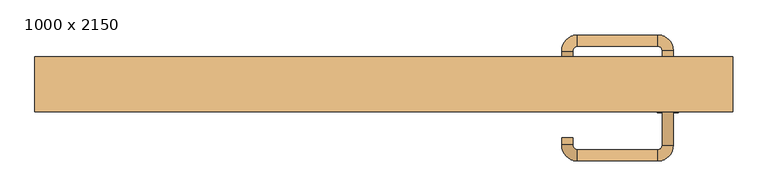
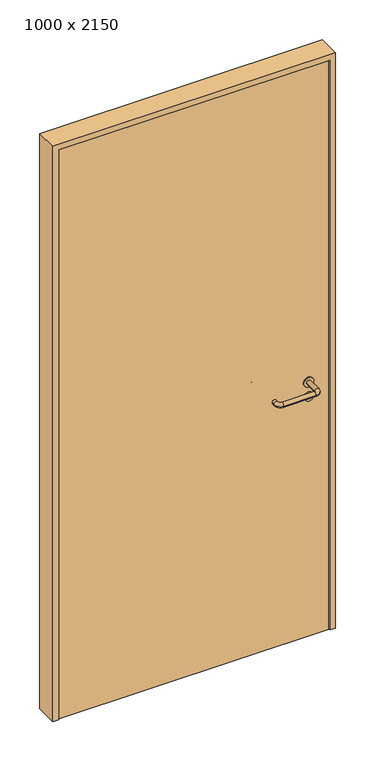
"""IFC4 building model written with IfcOpenShell, lengths in millimetres: door geometry, 1000 x 2150."""

from ifc_helpers import new_model, si_unit, point, frame, frame_2d, origin, origin_with_axes, place, context, project, spatial, polyline, circle_curve, ellipse_curve, trimmed, segment, composite_curve, outline, extrude, source, transform, mapped, element, save
from ifc_brep_helpers import plane_surface, cylinder_surface, revolved_surface, advanced_brep


def door_1000_x_2150_370ea0b7(model_context):
    return source(origin(), model_context, "Body", "SolidModel", [
        extrude(outline(composite_curve([segment(trimmed(circle_curve(frame_2d((897.3605726, 407.0)), 15.0), [point((897.3605726, 422.0))], [point((897.3605726, 392.0))], False, "CARTESIAN"), True, "CONTINUOUS"), segment(trimmed(circle_curve(frame_2d((897.3605726, 407.0)), 15.0), [point((897.3605726, 392.0))], [point((897.3605726, 422.0))], False, "CARTESIAN"), True, "CONTINUOUS")], self_intersect=False), holes=[composite_curve([segment(trimmed(circle_curve(frame_2d((892.5833211, 406.9398032)), 2.0), [point((892.5833211, 408.9398032))], [point((892.5833211, 404.9398032))], True, "CARTESIAN"), True, "CONTINUOUS"), segment(polyline([(892.5833211, 404.9398032), (902.5833211, 404.9398032)]), True, "CONTINUOUS"), segment(trimmed(circle_curve(frame_2d((902.5833211, 406.9398032)), 2.0), [point((902.5833211, 404.9398032))], [point((902.5833211, 408.9398032))], True, "CARTESIAN"), True, "CONTINUOUS"), segment(polyline([(902.5833211, 408.9398032), (892.5833211, 408.9398032)]), True, "CONTINUOUS")], self_intersect=False)]), frame((0.0, -5.0, 0.0), z_axis=(0.0, 1.0, 0.0), x_axis=(0.0, 0.0, 1.0)), (0.0, 0.0, 1.0), 6.35),
        extrude(outline(composite_curve([segment(trimmed(circle_curve(frame_2d((950.0, 407.0)), 17.526), [point((950.0, 424.526))], [point((950.0, 389.474))], False, "CARTESIAN"), True, "CONTINUOUS"), segment(trimmed(circle_curve(frame_2d((950.0, 407.0)), 17.526), [point((950.0, 389.474))], [point((950.0, 424.526))], False, "CARTESIAN"), True, "CONTINUOUS")], self_intersect=False)), frame((0.0, -5.0, 0.0), z_axis=(0.0, 1.0, 0.0), x_axis=(0.0, 0.0, 1.0)), (0.0, 0.0, 1.0), 3.175),
        advanced_brep(
        [(415.0, -5.0, 950.0), (399.0, -5.0, 950.0), (415.0, 48.0, 950.0), (399.0, 48.0, 950.0), (392.8578644, 54.1421356, 950.0), (392.8578644, 70.1421356, 950.0), (277.8578644, 70.1421356, 950.0), (277.8578644, 54.1421356, 950.0), (271.008622, 47.2928932, 950.0), (255.008622, 47.2928932, 950.0), (255.008622, 37.2928932, 950.0), (271.008622, 37.2928932, 950.0)],
        [
            (0, 1, circle_curve(frame((407.0, -5.0, 950.0), z_axis=(0.0, -1.0, 0.0), x_axis=(-1.0, 0.0, 0.0)), 8.0)),
            (1, 0, circle_curve(frame((407.0, -5.0, 950.0), z_axis=(0.0, -1.0, 0.0), x_axis=(-1.0, 0.0, 0.0)), 8.0)),
            (0, 2),
            (2, 3, circle_curve(frame((407.0, 48.0, 950.0), z_axis=(0.0, -1.0, 0.0), x_axis=(-1.0, 0.0, 0.0)), 8.0)),
            (3, 1),
            (3, 2, circle_curve(frame((407.0, 48.0, 950.0), z_axis=(0.0, -1.0, 0.0), x_axis=(-1.0, 0.0, 0.0)), 8.0)),
            (4, 3, circle_curve(frame((392.8578644, 48.0, 950.0), z_axis=(0.0, 0.0, -1.0), x_axis=(1.0, 0.0, 0.0)), 6.1421356)),
            (2, 5, circle_curve(frame((392.8578644, 48.0, 950.0), z_axis=(0.0, 0.0, 1.0), x_axis=(1.0, 0.0, 0.0)), 22.1421356)),
            (5, 4, circle_curve(frame((392.8578644, 62.1421356, 950.0), z_axis=(1.0, 0.0, 0.0), x_axis=(0.0, -1.0, 0.0)), 8.0)),
            (4, 5, circle_curve(frame((392.8578644, 62.1421356, 950.0), z_axis=(1.0, 0.0, 0.0), x_axis=(0.0, -1.0, 0.0)), 8.0)),
            (5, 6),
            (6, 7, circle_curve(frame((277.8578644, 62.1421356, 950.0), z_axis=(1.0, 0.0, 0.0), x_axis=(0.0, -1.0, 0.0)), 8.0)),
            (7, 4),
            (7, 6, circle_curve(frame((277.8578644, 62.1421356, 950.0), z_axis=(1.0, 0.0, 0.0), x_axis=(0.0, -1.0, 0.0)), 8.0)),
            (8, 7, circle_curve(frame((277.8578644, 47.2928932, 950.0), z_axis=(0.0, 0.0, -1.0), x_axis=(0.0, 1.0, 0.0)), 6.8492424)),
            (6, 9, circle_curve(frame((277.8578644, 47.2928932, 950.0), z_axis=(0.0, 0.0, 1.0), x_axis=(0.0, 1.0, 0.0)), 22.8492424)),
            (9, 8, circle_curve(frame((263.008622, 47.2928932, 950.0), z_axis=(0.0, 1.0, 0.0), x_axis=(1.0, 0.0, 0.0)), 8.0)),
            (8, 9, circle_curve(frame((263.008622, 47.2928932, 950.0), z_axis=(0.0, 1.0, 0.0), x_axis=(1.0, 0.0, 0.0)), 8.0)),
            (10, 11, circle_curve(frame((263.008622, 37.2928932, 950.0), z_axis=(0.0, -1.0, 0.0), x_axis=(1.0, 0.0, 0.0)), 8.0)),
            (11, 10, circle_curve(frame((263.008622, 37.2928932, 950.0), z_axis=(0.0, -1.0, 0.0), x_axis=(1.0, 0.0, 0.0)), 8.0)),
            (9, 10),
            (11, 8),
        ],
        [
            plane_surface(frame((407.0, -5.0, 0.0), z_axis=(0.0, -1.0, 0.0), x_axis=(0.0, 0.0, 1.0))),
            cylinder_surface(frame((407.0, -5.0, 950.0), z_axis=(0.0, -1.0, 0.0), x_axis=(-1.0, 0.0, 0.0)), 8.0),
            revolved_surface(trimmed(ellipse_curve(frame((407.0, 48.0, 950.0), z_axis=(0.0, -1.0, 0.0), x_axis=(-1.0, 0.0, 0.0)), 8.0, 8.0), [point((415.0, 48.0, 950.0))], [point((399.0, 48.0, 950.0))], True, "CARTESIAN"), (392.8578644, 48.0, 0.0), (0.0, 0.0, 1.0)),
            revolved_surface(trimmed(ellipse_curve(frame((407.0, 48.0, 950.0), z_axis=(0.0, -1.0, 0.0), x_axis=(-1.0, 0.0, 0.0)), 8.0, 8.0), [point((399.0, 48.0, 950.0))], [point((415.0, 48.0, 950.0))], True, "CARTESIAN"), (392.8578644, 48.0, 0.0), (0.0, 0.0, 1.0)),
            cylinder_surface(frame((392.8578644, 62.1421356, 950.0), z_axis=(1.0, 0.0, 0.0), x_axis=(0.0, -1.0, 0.0)), 8.0),
            revolved_surface(trimmed(ellipse_curve(frame((277.8578644, 62.1421356, 950.0), z_axis=(1.0, 0.0, 0.0), x_axis=(0.0, -1.0, 0.0)), 8.0, 8.0), [point((277.8578644, 70.1421356, 950.0))], [point((277.8578644, 54.1421356, 950.0))], True, "CARTESIAN"), (277.8578644, 47.2928932, 0.0), (0.0, 0.0, 1.0)),
            revolved_surface(trimmed(ellipse_curve(frame((277.8578644, 62.1421356, 950.0), z_axis=(1.0, 0.0, 0.0), x_axis=(0.0, -1.0, 0.0)), 8.0, 8.0), [point((277.8578644, 54.1421356, 950.0))], [point((277.8578644, 70.1421356, 950.0))], True, "CARTESIAN"), (277.8578644, 47.2928932, 0.0), (0.0, 0.0, 1.0)),
            plane_surface(frame((263.008622, 37.2928932, 0.0), z_axis=(0.0, -1.0, 0.0), x_axis=(0.0, 0.0, 1.0))),
            cylinder_surface(frame((263.008622, 47.2928932, 950.0), z_axis=(0.0, 1.0, 0.0), x_axis=(1.0, 0.0, 0.0)), 8.0),
        ],
        [
            (0, [[1, 2]]),
            (1, [[-1, 3, 4, 5]]),
            (1, [[-2, -5, 6, -3]]),
            (2, [[7, -4, 8, 9]]),
            (3, [[-8, -6, -7, 10]]),
            (4, [[-9, 11, 12, 13]]),
            (4, [[-10, -13, 14, -11]]),
            (5, [[15, -12, 16, 17]]),
            (6, [[-16, -14, -15, 18]]),
            (7, [[19, 20]]),
            (8, [[-17, 21, -20, 22]]),
            (8, [[-18, -22, -19, -21]]),
        ],
    ),
        extrude(outline(composite_curve([segment(trimmed(circle_curve(frame_2d((0.0, 15.0)), 15.0), [point((0.0, 30.0))], [point((0.0, 0.0))], False, "CARTESIAN"), True, "CONTINUOUS"), segment(trimmed(circle_curve(frame_2d((0.0, 15.0)), 15.0), [point((0.0, 0.0))], [point((0.0, 30.0))], False, "CARTESIAN"), True, "CONTINUOUS")], self_intersect=False), holes=[composite_curve([segment(trimmed(circle_curve(frame_2d((-4.7772515, 14.9398032)), 2.0), [point((-4.7772515, 16.9398032))], [point((-4.7772515, 12.9398032))], True, "CARTESIAN"), True, "CONTINUOUS"), segment(polyline([(-4.7772515, 12.9398032), (5.2227485, 12.9398032)]), True, "CONTINUOUS"), segment(trimmed(circle_curve(frame_2d((5.2227485, 14.9398032)), 2.0), [point((5.2227485, 12.9398032))], [point((5.2227485, 16.9398032))], True, "CARTESIAN"), True, "CONTINUOUS"), segment(polyline([(5.2227485, 16.9398032), (-4.7772515, 16.9398032)]), True, "CONTINUOUS")], self_intersect=False)]), frame((392.0, -41.35, 897.3605726), z_axis=(-1.8870575173328306e-12, 1.0, 0.0), x_axis=(0.0, 0.0, 1.0)), (0.0, 0.0, 1.0), 6.35),
        extrude(outline(composite_curve([segment(trimmed(circle_curve(frame_2d((0.0, 17.526)), 17.526), [point((0.0, 35.052))], [point((0.0, 0.0))], False, "CARTESIAN"), True, "CONTINUOUS"), segment(trimmed(circle_curve(frame_2d((0.0, 17.526)), 17.526), [point((0.0, 0.0))], [point((0.0, 35.052))], False, "CARTESIAN"), True, "CONTINUOUS")], self_intersect=False)), frame((389.474, -38.175, 950.0), z_axis=(-1.8870575173328306e-12, 1.0, 0.0), x_axis=(0.0, 0.0, 1.0)), (0.0, 0.0, 1.0), 3.175),
        advanced_brep(
        [(415.0, -35.0, 950.0), (399.0, -35.0, 950.0), (399.0, -88.0, 950.0), (415.0, -88.0, 950.0), (392.8578644, -94.1421356, 950.0), (392.8578644, -110.1421356, 950.0), (277.8578644, -94.1421356, 950.0), (277.8578644, -110.1421356, 950.0), (271.008622, -87.2928932, 950.0), (255.008622, -87.2928932, 950.0), (255.008622, -77.2928932, 950.0), (271.008622, -77.2928932, 950.0)],
        [
            (0, 1, circle_curve(frame((407.0, -35.0, 950.0), z_axis=(-1.888672253512351e-12, 1.0, 0.0), x_axis=(-1.0, -1.888672253512351e-12, 0.0)), 8.0)),
            (1, 0, circle_curve(frame((407.0, -35.0, 950.0), z_axis=(-1.888672253512351e-12, 1.0, 0.0), x_axis=(-1.0, -1.888672253512351e-12, 0.0)), 8.0)),
            (1, 2),
            (2, 3, circle_curve(frame((407.0, -88.0, 950.0), z_axis=(-1.888672253512351e-12, 1.0, 0.0), x_axis=(-1.0, -1.888672253512351e-12, 0.0)), 8.0)),
            (3, 0),
            (3, 2, circle_curve(frame((407.0, -88.0, 950.0), z_axis=(-1.888672253512351e-12, 1.0, 0.0), x_axis=(-1.0, -1.888672253512351e-12, 0.0)), 8.0)),
            (4, 5, circle_curve(frame((392.8578644, -102.1421356, 950.0), z_axis=(1.0, 1.913702061528922e-12, 0.0), x_axis=(-1.913702061528922e-12, 1.0, 0.0)), 8.0)),
            (5, 3, circle_curve(frame((392.8578644, -88.0, 950.0), z_axis=(0.0, 0.0, 1.0), x_axis=(1.0, 1.880717803715015e-12, 0.0)), 22.1421356)),
            (2, 4, circle_curve(frame((392.8578644, -88.0, 950.0), z_axis=(0.0, 0.0, -1.0), x_axis=(1.0, 1.880717803715015e-12, 0.0)), 6.1421356)),
            (5, 4, circle_curve(frame((392.8578644, -102.1421356, 950.0), z_axis=(1.0, 1.913702061528922e-12, 0.0), x_axis=(-1.913702061528922e-12, 1.0, 0.0)), 8.0)),
            (4, 6),
            (6, 7, circle_curve(frame((277.8578644, -102.1421356, 950.0), z_axis=(1.0, 1.913719828541269e-12, 0.0), x_axis=(-1.913719828541269e-12, 1.0, 0.0)), 8.0)),
            (7, 5),
            (7, 6, circle_curve(frame((277.8578644, -102.1421356, 950.0), z_axis=(1.0, 1.913719828541269e-12, 0.0), x_axis=(-1.913719828541269e-12, 1.0, 0.0)), 8.0)),
            (8, 9, circle_curve(frame((263.008622, -87.2928932, 950.0), z_axis=(1.8888942981172756e-12, -1.0, 0.0), x_axis=(1.0, 1.8888942981172756e-12, 0.0)), 8.0)),
            (9, 7, circle_curve(frame((277.8578644, -87.2928932, 950.0), z_axis=(0.0, 0.0, 1.0), x_axis=(1.9120873253494017e-12, -1.0, 0.0)), 22.8492424)),
            (6, 8, circle_curve(frame((277.8578644, -87.2928932, 950.0), z_axis=(0.0, 0.0, -1.0), x_axis=(1.9120873253494017e-12, -1.0, 0.0)), 6.8492424)),
            (9, 8, circle_curve(frame((263.008622, -87.2928932, 950.0), z_axis=(1.890448610351751e-12, -1.0, 0.0), x_axis=(1.0, 1.890448610351751e-12, 0.0)), 8.0)),
            (10, 11, circle_curve(frame((263.008622, -77.2928932, 950.0), z_axis=(-1.8903642334018795e-12, 1.0, 0.0), x_axis=(1.0, 1.8903642334018795e-12, 0.0)), 8.0)),
            (11, 10, circle_curve(frame((263.008622, -77.2928932, 950.0), z_axis=(-1.8903642334018795e-12, 1.0, 0.0), x_axis=(1.0, 1.8903642334018795e-12, 0.0)), 8.0)),
            (8, 11),
            (10, 9),
        ],
        [
            plane_surface(frame((407.0, -35.0, 0.0), z_axis=(-1.8870575173328306e-12, 1.0, 0.0), x_axis=(0.0, 0.0, 1.0))),
            cylinder_surface(frame((407.0, -35.0, 950.0), z_axis=(-1.888672253512351e-12, 1.0, 0.0), x_axis=(-1.0, -1.888672253512351e-12, 0.0)), 8.0),
            revolved_surface(trimmed(ellipse_curve(frame((407.0, -88.0, 950.0), z_axis=(1.8823325398945356e-12, -1.0, 0.0), x_axis=(-1.0, -1.8823325398945356e-12, 0.0)), 8.0, 8.0), [point((415.0, -88.0, 950.0))], [point((399.0, -88.0, 950.0))], True, "CARTESIAN"), (392.8578644, -88.0, 0.0), (0.0, 0.0, 1.0)),
            revolved_surface(trimmed(ellipse_curve(frame((407.0, -88.0, 950.0), z_axis=(1.8823325398945356e-12, -1.0, 0.0), x_axis=(-1.0, -1.8823325398945356e-12, 0.0)), 8.0, 8.0), [point((399.0, -88.0, 950.0))], [point((415.0, -88.0, 950.0))], True, "CARTESIAN"), (392.8578644, -88.0, 0.0), (0.0, 0.0, 1.0)),
            cylinder_surface(frame((392.8578644, -102.1421356, 950.0), z_axis=(1.0, 1.913719828541269e-12, 0.0), x_axis=(-1.913719828541269e-12, 1.0, 0.0)), 8.0),
            revolved_surface(trimmed(ellipse_curve(frame((277.8578644, -102.1421356, 950.0), z_axis=(-1.0, -1.913702061528922e-12, 0.0), x_axis=(-1.913702061528922e-12, 1.0, 0.0)), 8.0, 8.0), [point((277.8578644, -110.1421356, 950.0))], [point((277.8578644, -94.1421356, 950.0))], True, "CARTESIAN"), (277.8578644, -87.2928932, 0.0), (0.0, 0.0, 1.0)),
            revolved_surface(trimmed(ellipse_curve(frame((277.8578644, -102.1421356, 950.0), z_axis=(-1.0, -1.913702061528922e-12, 0.0), x_axis=(-1.913702061528922e-12, 1.0, 0.0)), 8.0, 8.0), [point((277.8578644, -94.1421356, 950.0))], [point((277.8578644, -110.1421356, 950.0))], True, "CARTESIAN"), (277.8578644, -87.2928932, 0.0), (0.0, 0.0, 1.0)),
            plane_surface(frame((263.008622, -77.2928932, 0.0), z_axis=(-1.8887494972223595e-12, 1.0, 0.0), x_axis=(0.0, 0.0, 1.0))),
            cylinder_surface(frame((263.008622, -87.2928932, 950.0), z_axis=(1.8903642334018795e-12, -1.0, 0.0), x_axis=(1.0, 1.8903642334018795e-12, 0.0)), 8.0),
        ],
        [
            (0, [[1, 2]]),
            (1, [[3, 4, 5, -2]]),
            (1, [[-5, 6, -3, -1]]),
            (2, [[7, 8, -4, 9]]),
            (3, [[10, -9, -6, -8]]),
            (4, [[11, 12, 13, -7]]),
            (4, [[-13, 14, -11, -10]]),
            (5, [[15, 16, -12, 17]]),
            (6, [[18, -17, -14, -16]]),
            (7, [[19, 20]]),
            (8, [[21, -19, 22, -15]]),
            (8, [[-22, -20, -21, -18]]),
        ],
    ),
        extrude(outline(polyline([(2130.0, 480.0), (0.0, 480.0), (0.0, 500.0), (2150.0, 500.0), (2150.0, -500.0), (0.0, -500.0), (0.0, -480.0), (2130.0, -480.0), (2130.0, 480.0)])), frame((0.0, -40.0, 0.0), z_axis=(0.0, 1.0, 0.0), x_axis=(0.0, 0.0, 1.0)), (0.0, 0.0, 1.0), 79.0),
        extrude(outline(polyline([(-480.0, -35.0), (-480.0, -5.0), (480.0, -5.0), (480.0, -35.0), (-480.0, -35.0)])), origin_with_axes(), (0.0, 0.0, 1.0), 2130.0),
    ])


if __name__ == "__main__":
    model = new_model("IFC4")
    model_context = context("Model", 3, world=origin())
    ifc_project = project(units=[si_unit("LENGTHUNIT", "METRE", prefix="MILLI")], contexts=[model_context])
    site = spatial("IfcSite", under=ifc_project)
    building = spatial("IfcBuilding", under=site)
    placement = place(None, origin())
    door_1000_x_2150_shape = door_1000_x_2150_370ea0b7(model_context)
    element("IfcDoor", 1, ObjectType="1000 x 2150", at=placement, inside=building, context=model_context, shape_type="MappedRepresentation", body=[
        mapped(door_1000_x_2150_shape, transform((0.0, 0.0, 0.0), x_axis=(1.0, 0.0, 0.0), y_axis=(0.0, 1.0, 0.0), z_axis=(0.0, 0.0, 1.0))),
    ])
    save(model, "model.ifc")
